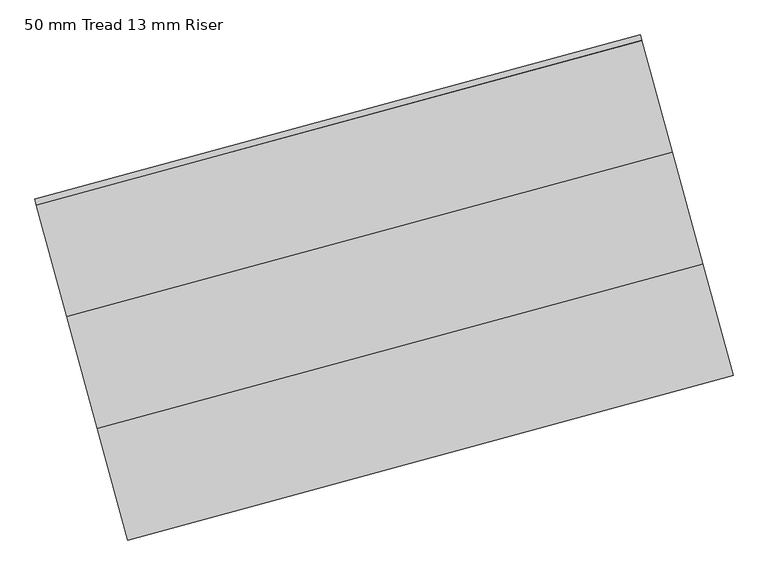
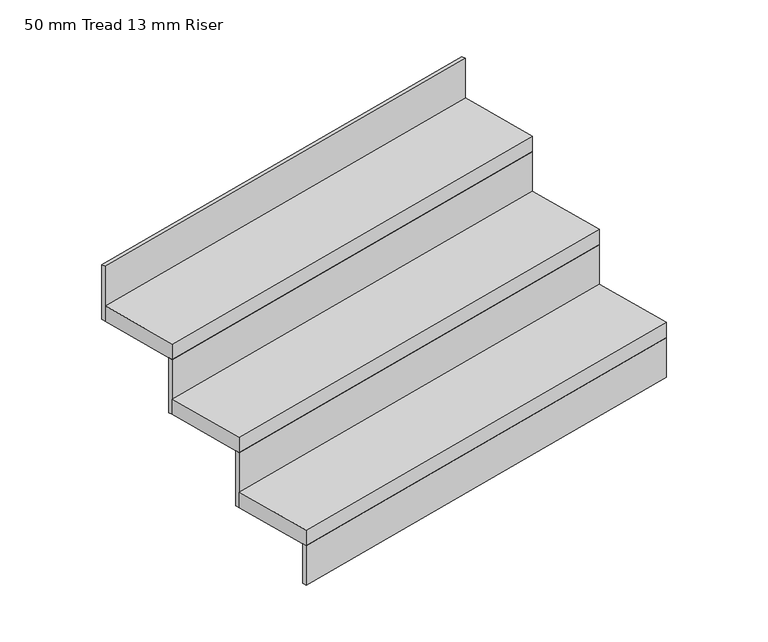
"""IFC4 building model written with IfcOpenShell, lengths in millimetres: stair flight geometry, 50 mm Tread 13 mm Riser."""

from ifc_helpers import new_model, si_unit, frame, origin, origin_with_axes, place, context, project, spatial, polyline, outline, extrude, source, transform, mapped, element, save


def stair_flight_50_mm_tread_13_mm_riser_bb519720(model_context):
    return source(origin(), model_context, "Body", "SweptSolid", [
        extrude(outline(polyline([(114913.2782653, -92360.1415193), (114916.5568758, -92372.2038869), (113610.1124853, -92727.3018553), (113606.8338749, -92715.2394876), (114913.2782653, -92360.1415193)])), origin_with_axes(), (0.0, 0.0, 1.0), 127.7777778),
        extrude(outline(polyline([(113544.5402761, -92486.0545022), (114850.9846665, -92130.9565338), (114916.5568758, -92372.2038869), (113610.1124853, -92727.3018553), (113544.5402761, -92486.0545022)])), frame((0.0, 0.0, 127.7777778), z_axis=(0.0, 0.0, 1.0), x_axis=(1.0, 0.0, 0.0)), (0.0, 0.0, 1.0), 50.0),
        extrude(outline(polyline([(114847.7060561, -92118.8941662), (114850.9846665, -92130.9565338), (113544.5402761, -92486.0545022), (113541.2616656, -92473.9921345), (114847.7060561, -92118.8941662)])), frame((0.0, 0.0, 127.7777778), z_axis=(0.0, 0.0, 1.0), x_axis=(1.0, 0.0, 0.0)), (0.0, 0.0, 1.0), 177.7777778),
        extrude(outline(polyline([(113478.9680668, -92244.8071491), (114785.4124573, -91889.7091807), (114850.9846665, -92130.9565338), (113544.5402761, -92486.0545022), (113478.9680668, -92244.8071491)])), frame((0.0, 0.0, 305.5555556), z_axis=(0.0, 0.0, 1.0), x_axis=(1.0, 0.0, 0.0)), (0.0, 0.0, 1.0), 50.0),
        extrude(outline(polyline([(114782.1338468, -91877.6468131), (114785.4124573, -91889.7091807), (113478.9680668, -92244.8071491), (113475.6894564, -92232.7447814), (114782.1338468, -91877.6468131)])), frame((0.0, 0.0, 305.5555556), z_axis=(0.0, 0.0, 1.0), x_axis=(1.0, 0.0, 0.0)), (0.0, 0.0, 1.0), 177.7777778),
        extrude(outline(polyline([(114716.5616376, -91636.39946), (114719.840248, -91648.4618276), (113413.3958576, -92003.559796), (113410.1172471, -91991.4974284), (114716.5616376, -91636.39946)])), frame((0.0, 0.0, 483.3333333), z_axis=(0.0, 0.0, 1.0), x_axis=(1.0, 0.0, 0.0)), (0.0, 0.0, 1.0), 177.7777778),
        extrude(outline(polyline([(113413.3958576, -92003.559796), (114719.840248, -91648.4618276), (114785.4124573, -91889.7091807), (113478.9680668, -92244.8071491), (113413.3958576, -92003.559796)])), frame((0.0, 0.0, 483.3333333), z_axis=(0.0, 0.0, 1.0), x_axis=(1.0, 0.0, 0.0)), (0.0, 0.0, 1.0), 50.0),
    ])


if __name__ == "__main__":
    model = new_model("IFC4")
    model_context = context("Model", 3, world=origin())
    ifc_project = project(units=[si_unit("LENGTHUNIT", "METRE", prefix="MILLI")], contexts=[model_context])
    site = spatial("IfcSite", under=ifc_project)
    building = spatial("IfcBuilding", under=site)
    placement = place(None, origin())
    stair_flight_50_mm_tread_13_mm_riser_shape = stair_flight_50_mm_tread_13_mm_riser_bb519720(model_context)
    element("IfcStairFlight", 1, ObjectType="50 mm Tread 13 mm Riser", at=placement, inside=building, context=model_context, shape_type="MappedRepresentation", body=[
        mapped(stair_flight_50_mm_tread_13_mm_riser_shape, transform((0.0, 0.0, 0.0), x_axis=(1.0, 0.0, 0.0), y_axis=(0.0, 1.0, 0.0), z_axis=(0.0, 0.0, 1.0))),
    ])
    save(model, "model.ifc")
